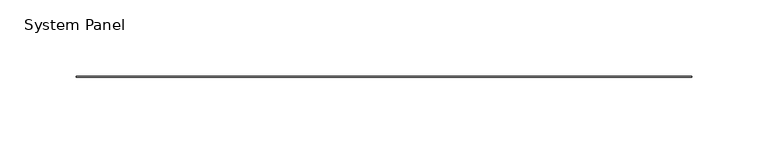
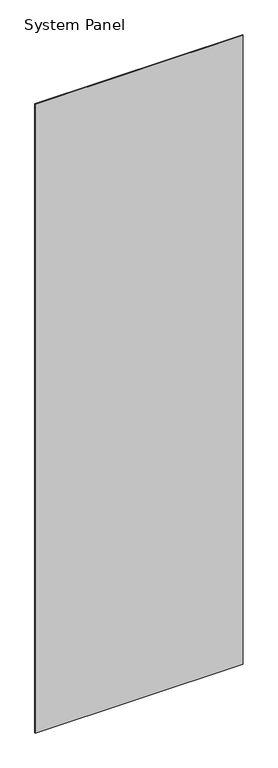
"""IFC4 building model written with IfcOpenShell, lengths in millimetres: plate geometry, System Panel."""

from ifc_helpers import new_model, si_unit, origin, origin_with_axes, place, context, project, spatial, polyline, outline, extrude, source, transform, mapped, element, save


def system_panel_9a8f2961(model_context):
    return source(origin(), model_context, "Body", "SweptSolid", [
        extrude(outline(polyline([(201.4855, -0.2976563), (-201.4855, -0.2976563), (-201.4855, 0.2976563), (201.4855, 0.2976563), (201.4855, -0.2976563)])), origin_with_axes(), (0.0, 0.0, 1.0), 1285.875),
    ])


if __name__ == "__main__":
    model = new_model("IFC4")
    model_context = context("Model", 3, world=origin())
    ifc_project = project(units=[si_unit("LENGTHUNIT", "METRE", prefix="MILLI")], contexts=[model_context])
    site = spatial("IfcSite", under=ifc_project)
    building = spatial("IfcBuilding", under=site)
    placement = place(None, origin())
    system_panel_shape = system_panel_9a8f2961(model_context)
    element("IfcPlate", 1, ObjectType="System Panel", at=placement, inside=building, context=model_context, shape_type="MappedRepresentation", body=[
        mapped(system_panel_shape, transform((0.0, 0.0, 0.0), x_axis=(1.0, 0.0, 0.0), y_axis=(0.0, 1.0, 0.0), z_axis=(0.0, 0.0, 1.0))),
    ])
    save(model, "model.ifc")
